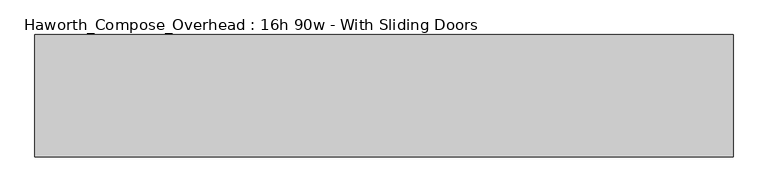
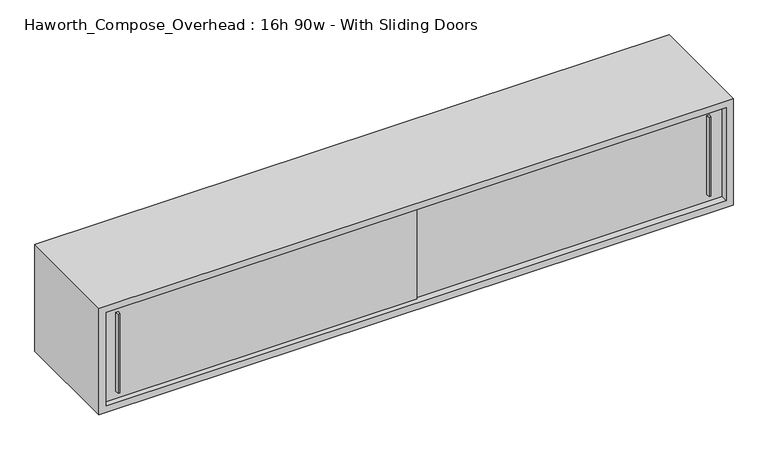
"""IFC4 building model written with IfcOpenShell, lengths in millimetres: furniture geometry, Haworth_Compose_Overhead : 16h 90w - With Sliding Doors."""

from ifc_helpers import new_model, si_unit, frame, origin, place, context, project, spatial, polyline, outline, extrude, source, transform, mapped, element, save


def haworth_compose_overhead_16h_90w_with_sliding_doors_3bc63bc8(model_context):
    return source(origin(), model_context, "Body", "SweptSolid", [
        extrude(outline(polyline([(1235.0750004, -387.3499879), (1228.7249996, -387.3499879), (1227.1375011, -374.65), (1236.6624989, -374.65), (1235.0750004, -387.3499879)])), frame((0.0, 0.0, 1322.3875), z_axis=(0.0, 0.0, 1.0), x_axis=(1.0, 0.0, 0.0)), (0.0, 0.0, 1.0), 301.625),
        extrude(outline(polyline([(-898.5249996, -393.6999879), (-904.8750004, -393.6999879), (-906.4624989, -381.0), (-896.9375011, -381.0), (-898.5249996, -393.6999879)])), frame((0.0, 0.0, 1322.3875), z_axis=(0.0, 0.0, 1.0), x_axis=(1.0, 0.0, 0.0)), (0.0, 0.0, 1.0), 301.625),
        extrude(outline(polyline([(-952.5, -374.65), (177.8, -374.65), (177.8, -381.0), (-952.5, -381.0), (-952.5, -374.65)])), frame((0.0, 0.0, 1295.4), z_axis=(0.0, 0.0, 1.0), x_axis=(1.0, 0.0, 0.0)), (0.0, 0.0, 1.0), 355.6),
        extrude(outline(polyline([(152.4, -368.3), (1282.7, -368.3), (1282.7, -374.65), (152.4, -374.65), (152.4, -368.3)])), frame((0.0, 0.0, 1295.4), z_axis=(0.0, 0.0, 1.0), x_axis=(1.0, 0.0, 0.0)), (0.0, 0.0, 1.0), 355.6),
        extrude(outline(polyline([(1282.7, -6.35), (-952.5, -6.35), (-952.5, 0.0), (1282.7, 0.0), (1282.7, -6.35)])), frame((0.0, 0.0, 1295.4), z_axis=(0.0, 0.0, 1.0), x_axis=(1.0, 0.0, 0.0)), (0.0, 0.0, 1.0), 355.6),
        extrude(outline(polyline([(1270.0, 1308.1), (1676.4, 1308.1), (1676.4, -977.9), (1270.0, -977.9), (1270.0, 1308.1)]), holes=[polyline([(1651.0, 1282.7), (1295.4, 1282.7), (1295.4, -952.5), (1651.0, -952.5), (1651.0, 1282.7)])]), frame((0.0, -400.05, 0.0), z_axis=(0.0, 1.0, 0.0), x_axis=(0.0, 0.0, 1.0)), (0.0, 0.0, 1.0), 400.05),
    ])


if __name__ == "__main__":
    model = new_model("IFC4")
    model_context = context("Model", 3, world=origin())
    ifc_project = project(units=[si_unit("LENGTHUNIT", "METRE", prefix="MILLI")], contexts=[model_context])
    site = spatial("IfcSite", under=ifc_project)
    building = spatial("IfcBuilding", under=site)
    placement = place(None, origin())
    haworth_compose_overhead_16h_90w_with_sliding_doors_shape = haworth_compose_overhead_16h_90w_with_sliding_doors_3bc63bc8(model_context)
    element("IfcFurniture", 1, ObjectType="Haworth_Compose_Overhead : 16h 90w - With Sliding Doors", at=placement, inside=building, context=model_context, shape_type="MappedRepresentation", body=[
        mapped(haworth_compose_overhead_16h_90w_with_sliding_doors_shape, transform((0.0, 0.0, 0.0), x_axis=(1.0, 0.0, 0.0), y_axis=(0.0, 1.0, 0.0), z_axis=(0.0, 0.0, 1.0))),
    ])
    save(model, "model.ifc")
